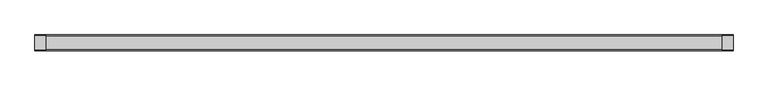
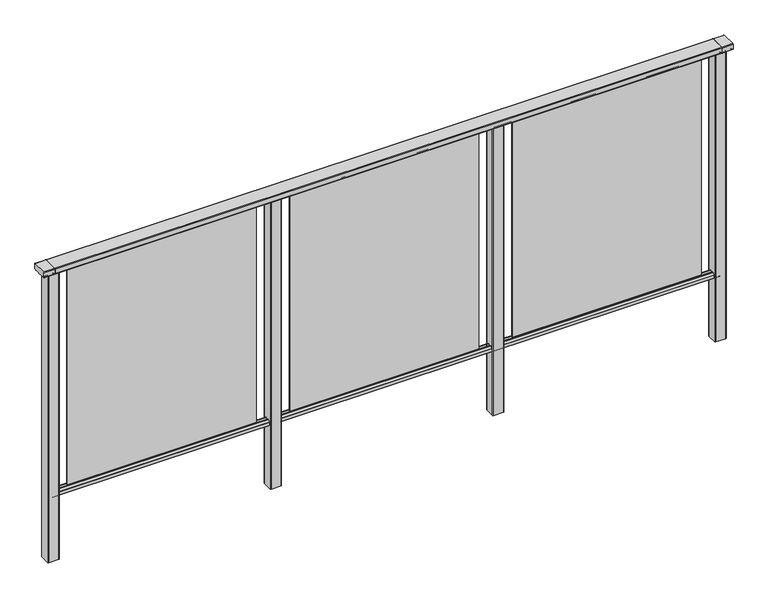
"""IFC4 building model written with IfcOpenShell, lengths in millimetres: railing geometry."""

from ifc_helpers import new_model, si_unit, point, frame, frame_2d, origin, place, context, project, spatial, polyline, circle_curve, trimmed, segment, composite_curve, outline, extrude, source, transform, mapped, element, save


def railing_be1447a1(model_context):
    return source(origin(), model_context, "Body", "SweptSolid", [
        extrude(outline(composite_curve([segment(trimmed(circle_curve(frame_2d((7892.8460333, 1197.0)), 3.0), [point((7892.8460333, 1200.0))], [point((7895.8460333, 1197.0))], False, "CARTESIAN"), True, "CONTINUOUS"), segment(polyline([(7895.8460333, 1197.0), (7895.8460333, 1174.8)]), True, "CONTINUOUS"), segment(trimmed(circle_curve(frame_2d((7892.8460333, 1174.8)), 3.0), [point((7895.8460333, 1174.8))], [point((7892.8460333, 1171.8))], False, "CARTESIAN"), True, "CONTINUOUS"), segment(polyline([(7892.8460333, 1171.8), (7887.9961193, 1171.8)]), True, "CONTINUOUS"), segment(trimmed(circle_curve(frame_2d((7887.9961193, 1172.7286632)), 0.9286632), [point((7887.9961193, 1171.8))], [point((7887.0960471, 1172.5000033))], False, "CARTESIAN"), True, "CONTINUOUS"), segment(trimmed(circle_curve(frame_2d((7886.5960471, 1172.5000003)), 0.5), [point((7887.0960471, 1172.5000033))], [point((7886.5960471, 1172.0000003))], False, "CARTESIAN"), True, "CONTINUOUS"), segment(polyline([(7886.5960471, 1172.0000003), (7869.5751393, 1172.0000003)]), True, "CONTINUOUS"), segment(trimmed(circle_curve(frame_2d((7860.8508208, 1188.8785723)), 18.999998), [point((7869.5751393, 1172.0000003))], [point((7852.1265024, 1172.0000003))], False, "CARTESIAN"), True, "CONTINUOUS"), segment(polyline([(7852.1265024, 1172.0000003), (7835.0960436, 1172.0000003)]), True, "CONTINUOUS"), segment(trimmed(circle_curve(frame_2d((7835.0960436, 1172.5000003)), 0.5), [point((7835.0960436, 1172.0000003))], [point((7834.5960436, 1172.5000033))], False, "CARTESIAN"), True, "CONTINUOUS"), segment(trimmed(circle_curve(frame_2d((7833.6961402, 1172.7284461)), 0.9284461), [point((7834.5960436, 1172.5000033))], [point((7833.6961402, 1171.8))], False, "CARTESIAN"), True, "CONTINUOUS"), segment(polyline([(7833.6961402, 1171.8), (7828.8460333, 1171.8)]), True, "CONTINUOUS"), segment(trimmed(circle_curve(frame_2d((7828.8460333, 1174.8)), 3.0), [point((7828.8460333, 1171.8))], [point((7825.8460333, 1174.8))], False, "CARTESIAN"), True, "CONTINUOUS"), segment(polyline([(7825.8460333, 1174.8), (7825.8460333, 1197.0)]), True, "CONTINUOUS"), segment(trimmed(circle_curve(frame_2d((7828.8460333, 1197.0)), 3.0), [point((7825.8460333, 1197.0))], [point((7828.8460333, 1200.0))], False, "CARTESIAN"), True, "CONTINUOUS"), segment(polyline([(7828.8460333, 1200.0), (7892.8460333, 1200.0)]), True, "CONTINUOUS")], self_intersect=False)), frame((3671.3946925, 0.0, 0.0), z_axis=(1.0, 0.0, 0.0), x_axis=(0.0, 1.0, 0.0)), (0.0, 0.0, 1.0), 3000.0),
        extrude(outline(composite_curve([segment(polyline([(7876.5508136, 100.0), (7845.1507946, 100.0)]), True, "CONTINUOUS"), segment(trimmed(circle_curve(frame_2d((7845.1507946, 101.8)), 1.8), [point((7845.1507946, 100.0))], [point((7843.3507946, 101.8))], False, "CARTESIAN"), True, "CONTINUOUS"), segment(polyline([(7843.3507946, 101.8), (7843.3507946, 115.5269955)]), True, "CONTINUOUS"), segment(trimmed(circle_curve(frame_2d((7845.1507946, 115.5269955)), 1.8), [point((7843.3507946, 115.5269955))], [point((7843.7923399, 116.7079277))], False, "CARTESIAN"), True, "CONTINUOUS"), segment(polyline([(7843.7923399, 116.7079277), (7850.4626384, 124.3809322)]), True, "CONTINUOUS"), segment(trimmed(circle_curve(frame_2d((7851.8210931, 123.2)), 1.8), [point((7850.4626384, 124.3809322))], [point((7851.8210931, 125.0))], False, "CARTESIAN"), True, "CONTINUOUS"), segment(polyline([(7851.8210931, 125.0), (7855.5111113, 125.0), (7856.809143, 113.0), (7864.8924411, 113.0), (7866.1904978, 125.0), (7869.88054, 125.0)]), True, "CONTINUOUS"), segment(trimmed(circle_curve(frame_2d((7869.88054, 123.2)), 1.8), [point((7869.88054, 125.0))], [point((7871.2389969, 124.3809297))], False, "CARTESIAN"), True, "CONTINUOUS"), segment(polyline([(7871.2389969, 124.3809297), (7877.9092704, 116.7079252)]), True, "CONTINUOUS"), segment(trimmed(circle_curve(frame_2d((7876.5508136, 115.5269955)), 1.8), [point((7877.9092704, 116.7079252))], [point((7878.3508136, 115.5269955))], False, "CARTESIAN"), True, "CONTINUOUS"), segment(polyline([(7878.3508136, 115.5269955), (7878.3508136, 101.8)]), True, "CONTINUOUS"), segment(trimmed(circle_curve(frame_2d((7876.5508136, 101.8)), 1.8), [point((7878.3508136, 101.8))], [point((7876.5508136, 100.0))], False, "CARTESIAN"), True, "CONTINUOUS")], self_intersect=False)), frame((3671.3946925, 0.0, 0.0), z_axis=(1.0, 0.0, 0.0), x_axis=(0.0, 1.0, 0.0)), (0.0, 0.0, 1.0), 3000.0),
        extrude(outline(polyline([(5746.3946925, 7862.8508041), (6596.3946925, 7862.8508041), (6596.3946925, 7858.8508041), (5746.3946925, 7858.8508041), (5746.3946925, 7862.8508041)])), frame((0.0, 0.0, 125.0), z_axis=(0.0, 0.0, 1.0), x_axis=(1.0, 0.0, 0.0)), (0.0, 0.0, 1.0), 1044.8785743),
        extrude(outline(composite_curve([segment(trimmed(circle_curve(frame_2d((5693.7947043, 7883.2508153)), 3.0), [point((5693.794704, 7886.2508153))], [point((5696.7947043, 7883.2508156))], False, "CARTESIAN"), True, "CONTINUOUS"), segment(polyline([(5696.7947043, 7883.2508156), (5696.7947083, 7838.4507926)]), True, "CONTINUOUS"), segment(trimmed(circle_curve(frame_2d((5693.7947083, 7838.4507923)), 3.0), [point((5696.7947083, 7838.4507926))], [point((5693.7947086, 7835.4507923))], False, "CARTESIAN"), True, "CONTINUOUS"), segment(polyline([(5693.7947086, 7835.4507923), (5648.9946856, 7835.4507883)]), True, "CONTINUOUS"), segment(trimmed(circle_curve(frame_2d((5648.9946853, 7838.4507883)), 3.0), [point((5648.9946856, 7835.4507883))], [point((5645.9946853, 7838.450788))], False, "CARTESIAN"), True, "CONTINUOUS"), segment(polyline([(5645.9946853, 7838.450788), (5645.9946813, 7883.250811)]), True, "CONTINUOUS"), segment(trimmed(circle_curve(frame_2d((5648.9946813, 7883.2508113)), 3.0), [point((5645.9946813, 7883.250811))], [point((5648.994681, 7886.2508113))], False, "CARTESIAN"), True, "CONTINUOUS"), segment(polyline([(5648.994681, 7886.2508113), (5693.794704, 7886.2508153)]), True, "CONTINUOUS")], self_intersect=False)), frame((0.0, 0.0, -198.0), z_axis=(0.0, 0.0, 1.0), x_axis=(1.0, 0.0, 0.0)), (0.0, 0.0, 1.0), 1367.8785743),
        extrude(outline(polyline([(4746.3946925, 7862.8508041), (5596.3946925, 7862.8508041), (5596.3946925, 7858.8508041), (4746.3946925, 7858.8508041), (4746.3946925, 7862.8508041)])), frame((0.0, 0.0, 125.0), z_axis=(0.0, 0.0, 1.0), x_axis=(1.0, 0.0, 0.0)), (0.0, 0.0, 1.0), 1044.8785743),
        extrude(outline(composite_curve([segment(trimmed(circle_curve(frame_2d((4693.7947043, 7883.2508153)), 3.0), [point((4693.794704, 7886.2508153))], [point((4696.7947043, 7883.2508156))], False, "CARTESIAN"), True, "CONTINUOUS"), segment(polyline([(4696.7947043, 7883.2508156), (4696.7947083, 7838.4507926)]), True, "CONTINUOUS"), segment(trimmed(circle_curve(frame_2d((4693.7947083, 7838.4507923)), 3.0), [point((4696.7947083, 7838.4507926))], [point((4693.7947086, 7835.4507923))], False, "CARTESIAN"), True, "CONTINUOUS"), segment(polyline([(4693.7947086, 7835.4507923), (4648.9946856, 7835.4507883)]), True, "CONTINUOUS"), segment(trimmed(circle_curve(frame_2d((4648.9946853, 7838.4507883)), 3.0), [point((4648.9946856, 7835.4507883))], [point((4645.9946853, 7838.450788))], False, "CARTESIAN"), True, "CONTINUOUS"), segment(polyline([(4645.9946853, 7838.450788), (4645.9946813, 7883.250811)]), True, "CONTINUOUS"), segment(trimmed(circle_curve(frame_2d((4648.9946813, 7883.2508113)), 3.0), [point((4645.9946813, 7883.250811))], [point((4648.994681, 7886.2508113))], False, "CARTESIAN"), True, "CONTINUOUS"), segment(polyline([(4648.994681, 7886.2508113), (4693.794704, 7886.2508153)]), True, "CONTINUOUS")], self_intersect=False)), frame((0.0, 0.0, -198.0), z_axis=(0.0, 0.0, 1.0), x_axis=(1.0, 0.0, 0.0)), (0.0, 0.0, 1.0), 1367.8785743),
        extrude(outline(polyline([(3746.3946925, 7862.8508041), (4596.3946925, 7862.8508041), (4596.3946925, 7858.8508041), (3746.3946925, 7858.8508041), (3746.3946925, 7862.8508041)])), frame((0.0, 0.0, 125.0), z_axis=(0.0, 0.0, 1.0), x_axis=(1.0, 0.0, 0.0)), (0.0, 0.0, 1.0), 1044.8785743),
        extrude(outline(composite_curve([segment(trimmed(circle_curve(frame_2d((6693.7947043, 7883.2508153)), 3.0), [point((6693.794704, 7886.2508153))], [point((6696.7947043, 7883.2508156))], False, "CARTESIAN"), True, "CONTINUOUS"), segment(polyline([(6696.7947043, 7883.2508156), (6696.7947083, 7838.4507926)]), True, "CONTINUOUS"), segment(trimmed(circle_curve(frame_2d((6693.7947083, 7838.4507923)), 3.0), [point((6696.7947083, 7838.4507926))], [point((6693.7947086, 7835.4507923))], False, "CARTESIAN"), True, "CONTINUOUS"), segment(polyline([(6693.7947086, 7835.4507923), (6648.9946856, 7835.4507883)]), True, "CONTINUOUS"), segment(trimmed(circle_curve(frame_2d((6648.9946853, 7838.4507883)), 3.0), [point((6648.9946856, 7835.4507883))], [point((6645.9946853, 7838.450788))], False, "CARTESIAN"), True, "CONTINUOUS"), segment(polyline([(6645.9946853, 7838.450788), (6645.9946813, 7883.250811)]), True, "CONTINUOUS"), segment(trimmed(circle_curve(frame_2d((6648.9946813, 7883.2508113)), 3.0), [point((6645.9946813, 7883.250811))], [point((6648.994681, 7886.2508113))], False, "CARTESIAN"), True, "CONTINUOUS"), segment(polyline([(6648.994681, 7886.2508113), (6693.794704, 7886.2508153)]), True, "CONTINUOUS")], self_intersect=False)), frame((0.0, 0.0, -198.0), z_axis=(0.0, 0.0, 1.0), x_axis=(1.0, 0.0, 0.0)), (0.0, 0.0, 1.0), 1367.8785743),
        extrude(outline(composite_curve([segment(trimmed(circle_curve(frame_2d((7892.8460333, 1197.0)), 3.0), [point((7892.8460333, 1200.0))], [point((7895.8460333, 1197.0))], False, "CARTESIAN"), True, "CONTINUOUS"), segment(polyline([(7895.8460333, 1197.0), (7895.8460333, 1174.8)]), True, "CONTINUOUS"), segment(trimmed(circle_curve(frame_2d((7892.8460333, 1174.8)), 3.0), [point((7895.8460333, 1174.8))], [point((7892.8460333, 1171.8))], False, "CARTESIAN"), True, "CONTINUOUS"), segment(polyline([(7892.8460333, 1171.8), (7887.9961193, 1171.8)]), True, "CONTINUOUS"), segment(trimmed(circle_curve(frame_2d((7887.9961193, 1172.7286632)), 0.9286632), [point((7887.9961193, 1171.8))], [point((7887.0960471, 1172.5000033))], False, "CARTESIAN"), True, "CONTINUOUS"), segment(trimmed(circle_curve(frame_2d((7886.5960471, 1172.5000003)), 0.5), [point((7887.0960471, 1172.5000033))], [point((7886.5960471, 1172.0000003))], False, "CARTESIAN"), True, "CONTINUOUS"), segment(polyline([(7886.5960471, 1172.0000003), (7869.5751393, 1172.0000003)]), True, "CONTINUOUS"), segment(trimmed(circle_curve(frame_2d((7860.8508208, 1188.8785723)), 18.999998), [point((7869.5751393, 1172.0000003))], [point((7852.1265024, 1172.0000003))], False, "CARTESIAN"), True, "CONTINUOUS"), segment(polyline([(7852.1265024, 1172.0000003), (7835.0960436, 1172.0000003)]), True, "CONTINUOUS"), segment(trimmed(circle_curve(frame_2d((7835.0960436, 1172.5000003)), 0.5), [point((7835.0960436, 1172.0000003))], [point((7834.5960436, 1172.5000033))], False, "CARTESIAN"), True, "CONTINUOUS"), segment(trimmed(circle_curve(frame_2d((7833.6961402, 1172.7284461)), 0.9284461), [point((7834.5960436, 1172.5000033))], [point((7833.6961402, 1171.8))], False, "CARTESIAN"), True, "CONTINUOUS"), segment(polyline([(7833.6961402, 1171.8), (7828.8460333, 1171.8)]), True, "CONTINUOUS"), segment(trimmed(circle_curve(frame_2d((7828.8460333, 1174.8)), 3.0), [point((7828.8460333, 1171.8))], [point((7825.8460333, 1174.8))], False, "CARTESIAN"), True, "CONTINUOUS"), segment(polyline([(7825.8460333, 1174.8), (7825.8460333, 1197.0)]), True, "CONTINUOUS"), segment(trimmed(circle_curve(frame_2d((7828.8460333, 1197.0)), 3.0), [point((7825.8460333, 1197.0))], [point((7828.8460333, 1200.0))], False, "CARTESIAN"), True, "CONTINUOUS"), segment(polyline([(7828.8460333, 1200.0), (7892.8460333, 1200.0)]), True, "CONTINUOUS")], self_intersect=False)), frame((6671.3946838, 0.0, 0.0), z_axis=(1.0, 0.0, 0.0), x_axis=(0.0, 1.0, 0.0)), (0.0, 0.0, 1.0), 50.0),
        extrude(outline(composite_curve([segment(trimmed(circle_curve(frame_2d((3693.7947043, 7883.2508153)), 3.0), [point((3693.794704, 7886.2508153))], [point((3696.7947043, 7883.2508156))], False, "CARTESIAN"), True, "CONTINUOUS"), segment(polyline([(3696.7947043, 7883.2508156), (3696.7947083, 7838.4507926)]), True, "CONTINUOUS"), segment(trimmed(circle_curve(frame_2d((3693.7947083, 7838.4507923)), 3.0), [point((3696.7947083, 7838.4507926))], [point((3693.7947086, 7835.4507923))], False, "CARTESIAN"), True, "CONTINUOUS"), segment(polyline([(3693.7947086, 7835.4507923), (3648.9946856, 7835.4507883)]), True, "CONTINUOUS"), segment(trimmed(circle_curve(frame_2d((3648.9946853, 7838.4507883)), 3.0), [point((3648.9946856, 7835.4507883))], [point((3645.9946853, 7838.450788))], False, "CARTESIAN"), True, "CONTINUOUS"), segment(polyline([(3645.9946853, 7838.450788), (3645.9946813, 7883.250811)]), True, "CONTINUOUS"), segment(trimmed(circle_curve(frame_2d((3648.9946813, 7883.2508113)), 3.0), [point((3645.9946813, 7883.250811))], [point((3648.994681, 7886.2508113))], False, "CARTESIAN"), True, "CONTINUOUS"), segment(polyline([(3648.994681, 7886.2508113), (3693.794704, 7886.2508153)]), True, "CONTINUOUS")], self_intersect=False)), frame((0.0, 0.0, -198.0), z_axis=(0.0, 0.0, 1.0), x_axis=(1.0, 0.0, 0.0)), (0.0, 0.0, 1.0), 1367.8785743),
        extrude(outline(composite_curve([segment(trimmed(circle_curve(frame_2d((7892.8460333, 1197.0)), 3.0), [point((7892.8460333, 1200.0))], [point((7895.8460333, 1197.0))], False, "CARTESIAN"), True, "CONTINUOUS"), segment(polyline([(7895.8460333, 1197.0), (7895.8460333, 1174.8)]), True, "CONTINUOUS"), segment(trimmed(circle_curve(frame_2d((7892.8460333, 1174.8)), 3.0), [point((7895.8460333, 1174.8))], [point((7892.8460333, 1171.8))], False, "CARTESIAN"), True, "CONTINUOUS"), segment(polyline([(7892.8460333, 1171.8), (7887.9961193, 1171.8)]), True, "CONTINUOUS"), segment(trimmed(circle_curve(frame_2d((7887.9961193, 1172.7286632)), 0.9286632), [point((7887.9961193, 1171.8))], [point((7887.0960471, 1172.5000033))], False, "CARTESIAN"), True, "CONTINUOUS"), segment(trimmed(circle_curve(frame_2d((7886.5960471, 1172.5000003)), 0.5), [point((7887.0960471, 1172.5000033))], [point((7886.5960471, 1172.0000003))], False, "CARTESIAN"), True, "CONTINUOUS"), segment(polyline([(7886.5960471, 1172.0000003), (7869.5751393, 1172.0000003)]), True, "CONTINUOUS"), segment(trimmed(circle_curve(frame_2d((7860.8508208, 1188.8785723)), 18.999998), [point((7869.5751393, 1172.0000003))], [point((7852.1265024, 1172.0000003))], False, "CARTESIAN"), True, "CONTINUOUS"), segment(polyline([(7852.1265024, 1172.0000003), (7835.0960436, 1172.0000003)]), True, "CONTINUOUS"), segment(trimmed(circle_curve(frame_2d((7835.0960436, 1172.5000003)), 0.5), [point((7835.0960436, 1172.0000003))], [point((7834.5960436, 1172.5000033))], False, "CARTESIAN"), True, "CONTINUOUS"), segment(trimmed(circle_curve(frame_2d((7833.6961402, 1172.7284461)), 0.9284461), [point((7834.5960436, 1172.5000033))], [point((7833.6961402, 1171.8))], False, "CARTESIAN"), True, "CONTINUOUS"), segment(polyline([(7833.6961402, 1171.8), (7828.8460333, 1171.8)]), True, "CONTINUOUS"), segment(trimmed(circle_curve(frame_2d((7828.8460333, 1174.8)), 3.0), [point((7828.8460333, 1171.8))], [point((7825.8460333, 1174.8))], False, "CARTESIAN"), True, "CONTINUOUS"), segment(polyline([(7825.8460333, 1174.8), (7825.8460333, 1197.0)]), True, "CONTINUOUS"), segment(trimmed(circle_curve(frame_2d((7828.8460333, 1197.0)), 3.0), [point((7825.8460333, 1197.0))], [point((7828.8460333, 1200.0))], False, "CARTESIAN"), True, "CONTINUOUS"), segment(polyline([(7828.8460333, 1200.0), (7892.8460333, 1200.0)]), True, "CONTINUOUS")], self_intersect=False)), frame((3621.3946838, 0.0, 0.0), z_axis=(1.0, 0.0, 0.0), x_axis=(0.0, 1.0, 0.0)), (0.0, 0.0, 1.0), 50.0),
    ])


if __name__ == "__main__":
    model = new_model("IFC4")
    model_context = context("Model", 3, world=origin())
    ifc_project = project(units=[si_unit("LENGTHUNIT", "METRE", prefix="MILLI")], contexts=[model_context])
    site = spatial("IfcSite", under=ifc_project)
    building = spatial("IfcBuilding", under=site)
    placement = place(None, origin())
    railing_shape = railing_be1447a1(model_context)
    element("IfcRailing", 1, at=placement, inside=building, context=model_context, shape_type="MappedRepresentation", body=[
        mapped(railing_shape, transform((0.0, 0.0, 0.0), x_axis=(1.0, 0.0, 0.0), y_axis=(0.0, 1.0, 0.0), z_axis=(0.0, 0.0, 1.0))),
    ])
    save(model, "model.ifc")
